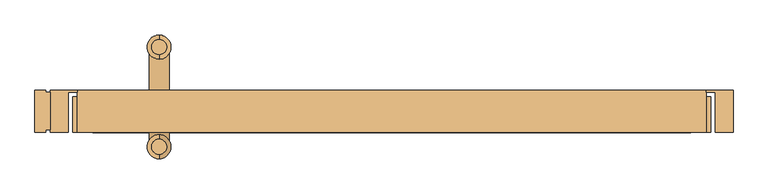
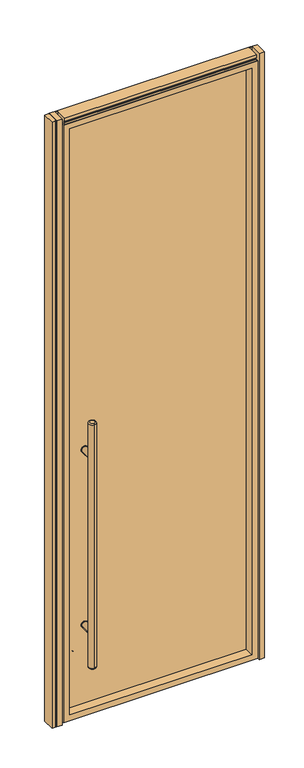
"""IFC4 building model written with IfcOpenShell, lengths in millimetres: door geometry."""

from ifc_helpers import new_model, si_unit, point, frame, frame_2d, origin, origin_with_axes, place, context, project, spatial, polyline, circle_curve, ellipse_curve, trimmed, segment, composite_curve, outline, extrude, faceted_brep, source, transform, mapped, element, save
from ifc_brep_helpers import plane_surface, cylinder_surface, revolved_surface, advanced_brep


def door_83741578(model_context):
    return source(origin(), model_context, "Body", "SolidModel", [
        extrude(outline(composite_curve([segment(trimmed(circle_curve(frame_2d((428.625, -333.375)), 15.875), [point((428.625, -349.25))], [point((428.625, -317.5))], False, "CARTESIAN"), True, "CONTINUOUS"), segment(trimmed(circle_curve(frame_2d((428.625, -333.375)), 15.875), [point((428.625, -317.5))], [point((428.625, -349.25))], False, "CARTESIAN"), True, "CONTINUOUS")], self_intersect=False)), frame((0.0, 47.625, 0.0), z_axis=(0.0, 1.0, 0.0), x_axis=(0.0, 0.0, 1.0)), (0.0, 0.0, 1.0), 3.175),
        extrude(outline(composite_curve([segment(trimmed(circle_curve(frame_2d((1298.575, -333.375)), 15.875), [point((1298.575, -317.5))], [point((1298.575, -349.25))], False, "CARTESIAN"), True, "CONTINUOUS"), segment(trimmed(circle_curve(frame_2d((1298.575, -333.375)), 15.875), [point((1298.575, -349.25))], [point((1298.575, -317.5))], False, "CARTESIAN"), True, "CONTINUOUS")], self_intersect=False)), frame((0.0, 47.625, 0.0), z_axis=(0.0, 1.0, 0.0), x_axis=(0.0, 0.0, 1.0)), (0.0, 0.0, 1.0), 3.175),
        extrude(outline(composite_curve([segment(trimmed(circle_curve(frame_2d((428.625, -333.375)), 15.875), [point((428.625, -349.25))], [point((428.625, -317.5))], False, "CARTESIAN"), True, "CONTINUOUS"), segment(trimmed(circle_curve(frame_2d((428.625, -333.375)), 15.875), [point((428.625, -317.5))], [point((428.625, -349.25))], False, "CARTESIAN"), True, "CONTINUOUS")], self_intersect=False)), frame((0.0, 31.75, 0.0), z_axis=(0.0, 1.0, 0.0), x_axis=(0.0, 0.0, 1.0)), (0.0, 0.0, 1.0), 3.175),
        extrude(outline(composite_curve([segment(trimmed(circle_curve(frame_2d((1298.575, -333.375)), 15.875), [point((1298.575, -349.25))], [point((1298.575, -317.5))], False, "CARTESIAN"), True, "CONTINUOUS"), segment(trimmed(circle_curve(frame_2d((1298.575, -333.375)), 15.875), [point((1298.575, -317.5))], [point((1298.575, -349.25))], False, "CARTESIAN"), True, "CONTINUOUS")], self_intersect=False)), frame((0.0, 31.75, 0.0), z_axis=(0.0, 1.0, 0.0), x_axis=(0.0, 0.0, 1.0)), (0.0, 0.0, 1.0), 3.175),
        extrude(outline(composite_curve([segment(trimmed(circle_curve(frame_2d((428.625, -333.375)), 14.2875), [point((428.625, -319.0875))], [point((428.625, -347.6625))], False, "CARTESIAN"), True, "CONTINUOUS"), segment(trimmed(circle_curve(frame_2d((428.625, -333.375)), 14.2875), [point((428.625, -347.6625))], [point((428.625, -319.0875))], False, "CARTESIAN"), True, "CONTINUOUS")], self_intersect=False)), frame((0.0, -30.1625, 0.0), z_axis=(0.0, 1.0, 0.0), x_axis=(0.0, 0.0, 1.0)), (0.0, 0.0, 1.0), 65.0875),
        extrude(outline(composite_curve([segment(trimmed(circle_curve(frame_2d((1298.575, -333.375)), 14.2875), [point((1298.575, -319.0875))], [point((1298.575, -347.6625))], False, "CARTESIAN"), True, "CONTINUOUS"), segment(trimmed(circle_curve(frame_2d((1298.575, -333.375)), 14.2875), [point((1298.575, -347.6625))], [point((1298.575, -319.0875))], False, "CARTESIAN"), True, "CONTINUOUS")], self_intersect=False)), frame((0.0, -30.1625, 0.0), z_axis=(0.0, 1.0, 0.0), x_axis=(0.0, 0.0, 1.0)), (0.0, 0.0, 1.0), 65.0875),
        advanced_brep(
        [(-333.375, 101.9175, 1473.2), (-333.375, 123.5075, 1473.2), (-333.375, 123.5075, 254.0), (-333.375, 101.9175, 254.0), (-333.375, 129.8575, 260.35), (-333.375, 129.8575, 1466.85), (-333.375, 95.5675, 1466.85), (-333.375, 95.5675, 260.35)],
        [
            (0, 1, circle_curve(frame((-333.375, 112.7125, 1473.2), z_axis=(0.0, 0.0, 1.0), x_axis=(0.0, -1.0, 0.0)), 10.795)),
            (1, 0, circle_curve(frame((-333.375, 112.7125, 1473.2), z_axis=(0.0, 0.0, 1.0), x_axis=(0.0, -1.0, 0.0)), 10.795)),
            (2, 3, circle_curve(frame((-333.375, 112.7125, 254.0), z_axis=(0.0, 0.0, -1.0), x_axis=(0.0, -1.0, 0.0)), 10.795)),
            (3, 2, circle_curve(frame((-333.375, 112.7125, 254.0), z_axis=(0.0, 0.0, -1.0), x_axis=(0.0, -1.0, 0.0)), 10.795)),
            (4, 5),
            (5, 6, circle_curve(frame((-333.375, 112.7125, 1466.85), z_axis=(0.0, 0.0, -1.0), x_axis=(0.0, -1.0, 0.0)), 17.145)),
            (6, 7),
            (7, 4, circle_curve(frame((-333.375, 112.7125, 260.35), z_axis=(0.0, 0.0, 1.0), x_axis=(0.0, -1.0, 0.0)), 17.145)),
            (6, 5, circle_curve(frame((-333.375, 112.7125, 1466.85), z_axis=(0.0, 0.0, -1.0), x_axis=(0.0, -1.0, 0.0)), 17.145)),
            (4, 7, circle_curve(frame((-333.375, 112.7125, 260.35), z_axis=(0.0, 0.0, 1.0), x_axis=(0.0, -1.0, 0.0)), 17.145)),
            (3, 7, circle_curve(frame((-333.375, 101.9175, 260.35), z_axis=(-1.0, 0.0, 0.0), x_axis=(0.0, -1.0, 0.0)), 6.35)),
            (4, 2, circle_curve(frame((-333.375, 123.5075, 260.35), z_axis=(-1.0, 0.0, 0.0), x_axis=(0.0, 1.0, 0.0)), 6.35)),
            (6, 0, circle_curve(frame((-333.375, 101.9175, 1466.85), z_axis=(-1.0, 0.0, 0.0), x_axis=(0.0, -1.0, 0.0)), 6.35)),
            (1, 5, circle_curve(frame((-333.375, 123.5075, 1466.85), z_axis=(-1.0, 0.0, 0.0), x_axis=(0.0, 1.0, 0.0)), 6.35)),
        ],
        [
            plane_surface(frame((-333.375, -47.3075, 1473.2), z_axis=(0.0, 0.0, 1.0), x_axis=(-1.0, 0.0, 0.0))),
            plane_surface(frame((-333.375, -47.3075, 254.0), z_axis=(0.0, 0.0, -1.0), x_axis=(1.0, 0.0, 0.0))),
            cylinder_surface(frame((-333.375, 112.7125, 254.0), z_axis=(0.0, 0.0, 1.0), x_axis=(0.0, -1.0, 0.0)), 17.145),
            revolved_surface(trimmed(ellipse_curve(frame((-333.375, 101.9175, 260.35), z_axis=(-1.0, 0.0, 0.0), x_axis=(0.0, -1.0, 0.0)), 6.35, 6.35), [point((-333.375, 101.9175, 254.0))], [point((-333.375, 95.5675, 260.35))], True, "CARTESIAN"), (-333.375, 112.7125, 2082.8), (0.0, 0.0, 1.0)),
            revolved_surface(trimmed(ellipse_curve(frame((-333.375, 101.9175, 1466.85), z_axis=(-1.0, 0.0, 0.0), x_axis=(0.0, -1.0, 0.0)), 6.35, 6.35), [point((-333.375, 95.5675, 1466.85))], [point((-333.375, 101.9175, 1473.2))], True, "CARTESIAN"), (-333.375, 112.7125, -355.6), (0.0, 0.0, 1.0)),
        ],
        [
            (0, [[1, 2]]),
            (1, [[3, 4]]),
            (2, [[5, 6, 7, 8]]),
            (2, [[-7, 9, -5, 10]]),
            (3, [[-4, 11, -10, 12]]),
            (3, [[-8, -11, -3, -12]]),
            (4, [[-9, 13, -2, 14]]),
            (4, [[-1, -13, -6, -14]]),
        ],
    ),
        advanced_brep(
        [(-333.375, -40.9575, 1473.2), (-333.375, -19.3675, 1473.2), (-333.375, -19.3675, 254.0), (-333.375, -40.9575, 254.0), (-333.375, -13.0175, 260.35), (-333.375, -13.0175, 1466.85), (-333.375, -47.3075, 1466.85), (-333.375, -47.3075, 260.35)],
        [
            (0, 1, circle_curve(frame((-333.375, -30.1625, 1473.2), z_axis=(0.0, 0.0, 1.0), x_axis=(0.0, 1.0, 0.0)), 10.795)),
            (1, 0, circle_curve(frame((-333.375, -30.1625, 1473.2), z_axis=(0.0, 0.0, 1.0), x_axis=(0.0, 1.0, 0.0)), 10.795)),
            (2, 3, circle_curve(frame((-333.375, -30.1625, 254.0), z_axis=(0.0, 0.0, -1.0), x_axis=(0.0, 1.0, 0.0)), 10.795)),
            (3, 2, circle_curve(frame((-333.375, -30.1625, 254.0), z_axis=(0.0, 0.0, -1.0), x_axis=(0.0, 1.0, 0.0)), 10.795)),
            (4, 5),
            (5, 6, circle_curve(frame((-333.375, -30.1625, 1466.85), z_axis=(0.0, 0.0, -1.0), x_axis=(0.0, -1.0, 0.0)), 17.145)),
            (6, 7),
            (7, 4, circle_curve(frame((-333.375, -30.1625, 260.35), z_axis=(0.0, 0.0, 1.0), x_axis=(0.0, -1.0, 0.0)), 17.145)),
            (6, 5, circle_curve(frame((-333.375, -30.1625, 1466.85), z_axis=(0.0, 0.0, -1.0), x_axis=(0.0, -1.0, 0.0)), 17.145)),
            (4, 7, circle_curve(frame((-333.375, -30.1625, 260.35), z_axis=(0.0, 0.0, 1.0), x_axis=(0.0, -1.0, 0.0)), 17.145)),
            (4, 2, circle_curve(frame((-333.375, -19.3675, 260.35), z_axis=(-1.0, 0.0, 0.0), x_axis=(0.0, 1.0, 0.0)), 6.35)),
            (3, 7, circle_curve(frame((-333.375, -40.9575, 260.35), z_axis=(-1.0, 0.0, 0.0), x_axis=(0.0, -1.0, 0.0)), 6.35)),
            (1, 5, circle_curve(frame((-333.375, -19.3675, 1466.85), z_axis=(-1.0, 0.0, 0.0), x_axis=(0.0, 1.0, 0.0)), 6.35)),
            (6, 0, circle_curve(frame((-333.375, -40.9575, 1466.85), z_axis=(-1.0, 0.0, 0.0), x_axis=(0.0, -1.0, 0.0)), 6.35)),
        ],
        [
            plane_surface(frame((-333.375, -47.3075, 1473.2), z_axis=(0.0, 0.0, 1.0), x_axis=(-1.0, 0.0, 0.0))),
            plane_surface(frame((-333.375, -47.3075, 254.0), z_axis=(0.0, 0.0, -1.0), x_axis=(1.0, 0.0, 0.0))),
            cylinder_surface(frame((-333.375, -30.1625, 254.0), z_axis=(0.0, 0.0, 1.0), x_axis=(0.0, -1.0, 0.0)), 17.145),
            revolved_surface(trimmed(ellipse_curve(frame((-333.375, -19.3675, 260.35), z_axis=(-1.0, 0.0, 0.0), x_axis=(0.0, 1.0, 0.0)), 6.35, 6.35), [point((-333.375, -13.0175, 260.35))], [point((-333.375, -19.3675, 254.0))], True, "CARTESIAN"), (-333.375, -30.1625, 2082.8), (0.0, 0.0, -1.0)),
            revolved_surface(trimmed(ellipse_curve(frame((-333.375, -19.3675, 1466.85), z_axis=(-1.0, 0.0, 0.0), x_axis=(0.0, 1.0, 0.0)), 6.35, 6.35), [point((-333.375, -19.3675, 1473.2))], [point((-333.375, -13.0175, 1466.85))], True, "CARTESIAN"), (-333.375, -30.1625, -355.6), (0.0, 0.0, -1.0)),
        ],
        [
            (0, [[1, 2]]),
            (1, [[3, 4]]),
            (2, [[5, 6, 7, 8]]),
            (2, [[-7, 9, -5, 10]]),
            (3, [[-10, 11, -4, 12]]),
            (3, [[-3, -11, -8, -12]]),
            (4, [[-2, 13, -9, 14]]),
            (4, [[-6, -13, -1, -14]]),
        ],
    ),
        extrude(outline(composite_curve([segment(trimmed(circle_curve(frame_2d((428.625, -333.375)), 14.2875), [point((428.625, -319.0875))], [point((428.625, -347.6625))], False, "CARTESIAN"), True, "CONTINUOUS"), segment(trimmed(circle_curve(frame_2d((428.625, -333.375)), 14.2875), [point((428.625, -347.6625))], [point((428.625, -319.0875))], False, "CARTESIAN"), True, "CONTINUOUS")], self_intersect=False)), frame((0.0, 47.625, 0.0), z_axis=(0.0, 1.0, 0.0), x_axis=(0.0, 0.0, 1.0)), (0.0, 0.0, 1.0), 65.0875),
        extrude(outline(composite_curve([segment(trimmed(circle_curve(frame_2d((1298.575, -333.375)), 14.2875), [point((1298.575, -319.0875))], [point((1298.575, -347.6625))], False, "CARTESIAN"), True, "CONTINUOUS"), segment(trimmed(circle_curve(frame_2d((1298.575, -333.375)), 14.2875), [point((1298.575, -347.6625))], [point((1298.575, -319.0875))], False, "CARTESIAN"), True, "CONTINUOUS")], self_intersect=False)), frame((0.0, 47.625, 0.0), z_axis=(0.0, 1.0, 0.0), x_axis=(0.0, 0.0, 1.0)), (0.0, 0.0, 1.0), 65.0875),
        extrude(outline(polyline([(428.625, 47.625), (428.625, 34.925), (-428.625, 34.925), (-428.625, 47.625), (428.625, 47.625)])), frame((0.0, 0.0, 38.1), z_axis=(0.0, 0.0, 1.0), x_axis=(1.0, 0.0, 0.0)), (0.0, 0.0, 1.0), 2911.475),
        extrude(outline(polyline([(-488.95, -6.35), (-495.3, -6.35), (-495.3, -9.525), (-511.175, -9.525), (-511.175, 50.8), (-495.3, 50.8), (-495.3, 47.625), (-488.95, 47.625), (-488.95, -6.35)])), origin_with_axes(), (0.0, 0.0, 1.0), 3009.9),
        extrude(outline(polyline([(463.55, -9.525), (463.55, 47.625), (450.85, 47.625), (450.85, 50.8), (488.95, 50.8), (488.95, -9.525), (463.55, -9.525)])), origin_with_axes(), (0.0, 0.0, 1.0), 3009.9),
        extrude(outline(polyline([(-463.55, -9.525), (-488.95, -9.525), (-488.95, 50.8), (-450.85, 50.8), (-450.85, 47.625), (-463.55, 47.625), (-463.55, -9.525)])), origin_with_axes(), (0.0, 0.0, 1.0), 3009.9),
        faceted_brep([(428.625, 50.8, 2949.575), (428.625, 50.8, 38.1), (428.625, -9.525, 38.1), (428.625, -9.525, 2949.575), (-428.625, 50.8, 38.1), (-428.625, -9.525, 38.1), (-457.2, -9.525, 9.525), (457.2, -9.525, 9.525), (457.2, -9.525, 2978.15), (-457.2, -9.525, 2978.15), (-428.625, -9.525, 2949.575), (-428.625, 50.8, 2949.575), (444.5, 50.8, 22.225), (-444.5, 50.8, 22.225), (-444.5, 50.8, 2965.45), (444.5, 50.8, 2965.45), (444.5, 41.275, 2965.45), (444.5, 41.275, 22.225), (-444.5, 41.275, 22.225), (-444.5, 41.275, 2965.45), (457.2, 41.275, 9.525), (-457.2, 41.275, 9.525), (-457.2, 41.275, 2978.15), (457.2, 41.275, 2978.15)], [[[0, 1, 2, 3]], [[1, 4, 5, 2]], [[6, 7, 8, 9], [2, 5, 10, 3]], [[4, 11, 10, 5]], [[12, 13, 14, 15], [4, 1, 0, 11]], [[16, 17, 12, 15]], [[17, 18, 13, 12]], [[18, 19, 14, 13]], [[20, 21, 22, 23], [18, 17, 16, 19]], [[8, 7, 20, 23]], [[7, 6, 21, 20]], [[6, 9, 22, 21]], [[11, 0, 3, 10]], [[19, 16, 15, 14]], [[9, 8, 23, 22]]]),
        extrude(outline(polyline([(-9.525, 2965.45), (-9.525, 2987.675), (-6.35, 2987.675), (-6.35, 2994.025), (-9.525, 2994.025), (-9.525, 3009.9), (50.8, 3009.9), (50.8, 2994.025), (47.625, 2994.025), (47.625, 2987.675), (50.8, 2987.675), (50.8, 2951.4601562), (47.625, 2951.4601562), (47.625, 2965.45), (-9.525, 2965.45)])), frame((-450.85, 0.0, 0.0), z_axis=(1.0, 0.0, 0.0), x_axis=(0.0, 1.0, 0.0)), (0.0, 0.0, 1.0), 901.7),
    ])


if __name__ == "__main__":
    model = new_model("IFC4")
    model_context = context("Model", 3, world=origin())
    ifc_project = project(units=[si_unit("LENGTHUNIT", "METRE", prefix="MILLI")], contexts=[model_context])
    site = spatial("IfcSite", under=ifc_project)
    building = spatial("IfcBuilding", under=site)
    placement = place(None, origin())
    door_shape = door_83741578(model_context)
    element("IfcDoor", 1, at=placement, inside=building, context=model_context, shape_type="MappedRepresentation", body=[
        mapped(door_shape, transform((0.0, 0.0, 0.0), x_axis=(1.0, 0.0, 0.0), y_axis=(0.0, 1.0, 0.0), z_axis=(0.0, 0.0, 1.0))),
    ])
    save(model, "model.ifc")
